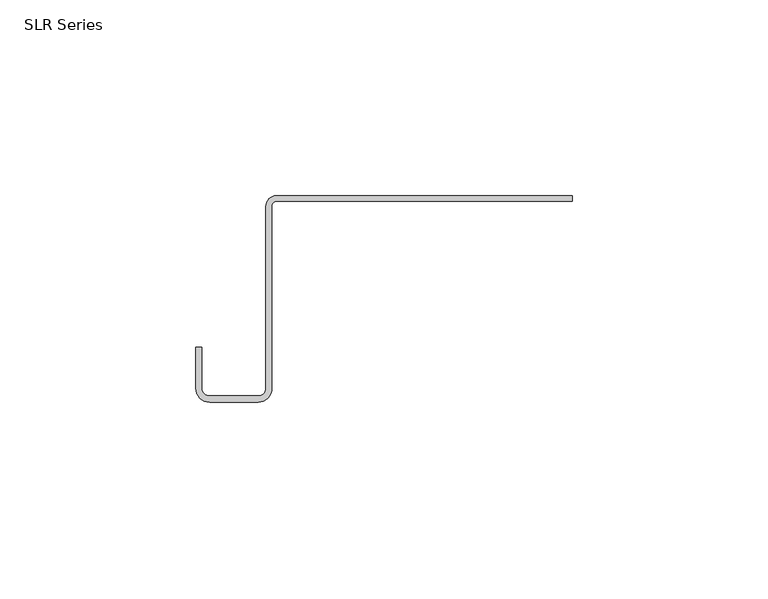
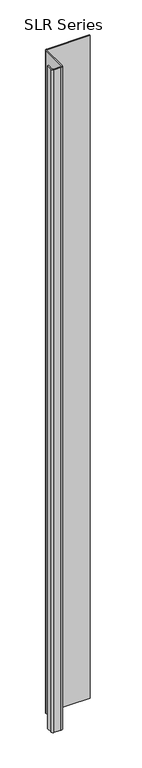
"""IFC4 building model written with IfcOpenShell, lengths in millimetres: plate geometry, SLR Series."""

from ifc_helpers import new_model, si_unit, point, frame_2d, origin, origin_with_axes, place, context, project, spatial, polyline, circle_curve, trimmed, segment, composite_curve, outline, extrude, source, transform, mapped, element, save


def slr_series_177e3744(model_context):
    return source(origin(), model_context, "Body", "SweptSolid", [
        extrude(outline(composite_curve([segment(trimmed(circle_curve(frame_2d((-39.5930856, -49.163617)), 3.5323605), [point((-36.0607252, -49.163617))], [point((-39.5930856, -52.6959775))], False, "CARTESIAN"), True, "CONTINUOUS"), segment(polyline([(-39.5930856, -52.6959775), (-51.9789356, -52.6959775)]), True, "CONTINUOUS"), segment(trimmed(circle_curve(frame_2d((-51.9789356, -49.163617)), 3.5323605), [point((-51.9789356, -52.6959775))], [point((-55.5112961, -49.163617))], False, "CARTESIAN"), True, "CONTINUOUS"), segment(polyline([(-55.5112961, -49.163617), (-55.5112961, -38.7571098), (-53.9582783, -38.7571098), (-53.9582783, -49.163617)]), True, "CONTINUOUS"), segment(trimmed(circle_curve(frame_2d((-51.9789356, -49.163617)), 1.9793427), [point((-53.9582783, -49.163617))], [point((-51.9789356, -51.1429598))], True, "CARTESIAN"), True, "CONTINUOUS"), segment(polyline([(-51.9789356, -51.1429598), (-39.5930856, -51.1429598)]), True, "CONTINUOUS"), segment(trimmed(circle_curve(frame_2d((-39.5930856, -49.163617)), 1.9793427), [point((-39.5930856, -51.1429598))], [point((-37.6137429, -49.163617))], True, "CARTESIAN"), True, "CONTINUOUS"), segment(polyline([(-37.6137429, -49.163617), (-37.6137429, -2.7245977)]), True, "CONTINUOUS"), segment(trimmed(circle_curve(frame_2d((-34.8884868, -2.7245977)), 2.7252562), [point((-37.6137429, -2.7245977))], [point((-34.9483919, 0.0))], False, "CARTESIAN"), True, "CONTINUOUS"), segment(polyline([(-34.9483919, 0.0), (40.6542607, 0.0), (40.6542607, -1.42875), (-34.9483919, -1.42875)]), True, "CONTINUOUS"), segment(trimmed(circle_curve(frame_2d((-34.9483919, -2.5410832)), 1.1123332), [point((-34.9483919, -1.42875))], [point((-36.0607252, -2.5410832))], True, "CARTESIAN"), True, "CONTINUOUS"), segment(polyline([(-36.0607252, -2.5410832), (-36.0607252, -49.163617)]), True, "CONTINUOUS")], self_intersect=False)), origin_with_axes(), (0.0, 0.0, 1.0), 1228.3559792),
    ])


if __name__ == "__main__":
    model = new_model("IFC4")
    model_context = context("Model", 3, world=origin())
    ifc_project = project(units=[si_unit("LENGTHUNIT", "METRE", prefix="MILLI")], contexts=[model_context])
    site = spatial("IfcSite", under=ifc_project)
    building = spatial("IfcBuilding", under=site)
    placement = place(None, origin())
    slr_series_shape = slr_series_177e3744(model_context)
    element("IfcPlate", 1, ObjectType="SLR Series", at=placement, inside=building, context=model_context, shape_type="MappedRepresentation", body=[
        mapped(slr_series_shape, transform((0.0, 0.0, 0.0), x_axis=(1.0, 0.0, 0.0), y_axis=(0.0, 1.0, 0.0), z_axis=(0.0, 0.0, 1.0))),
    ])
    save(model, "model.ifc")
